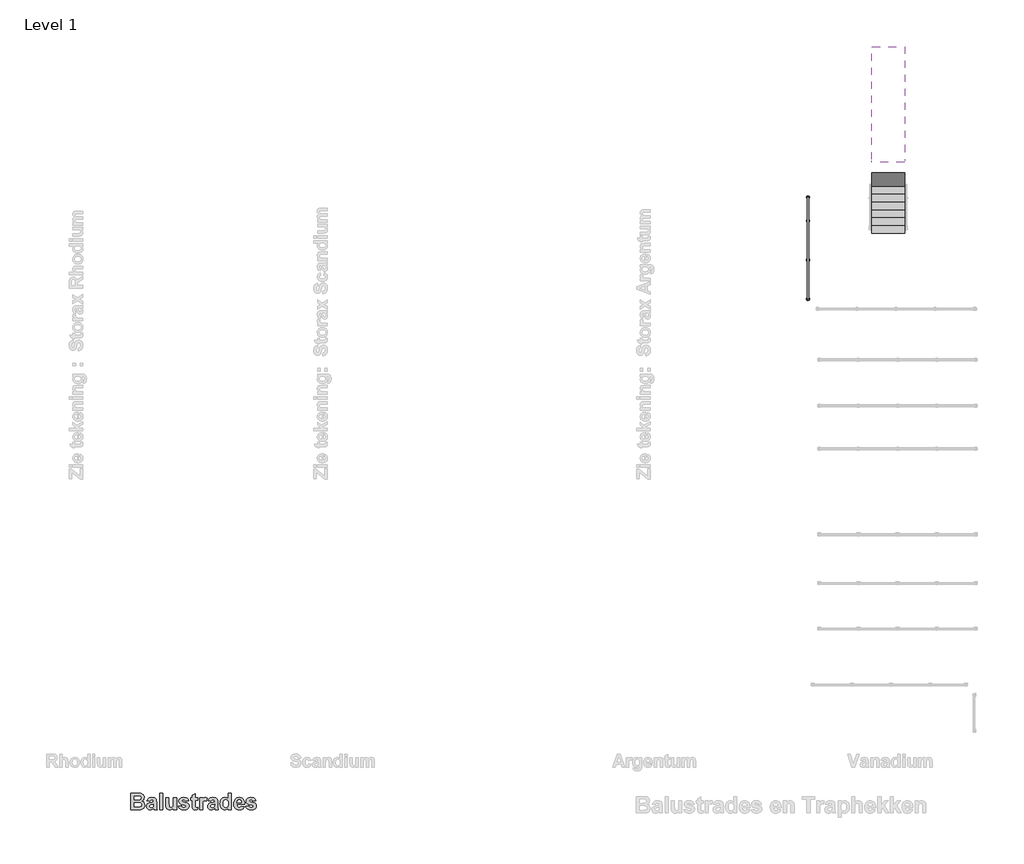
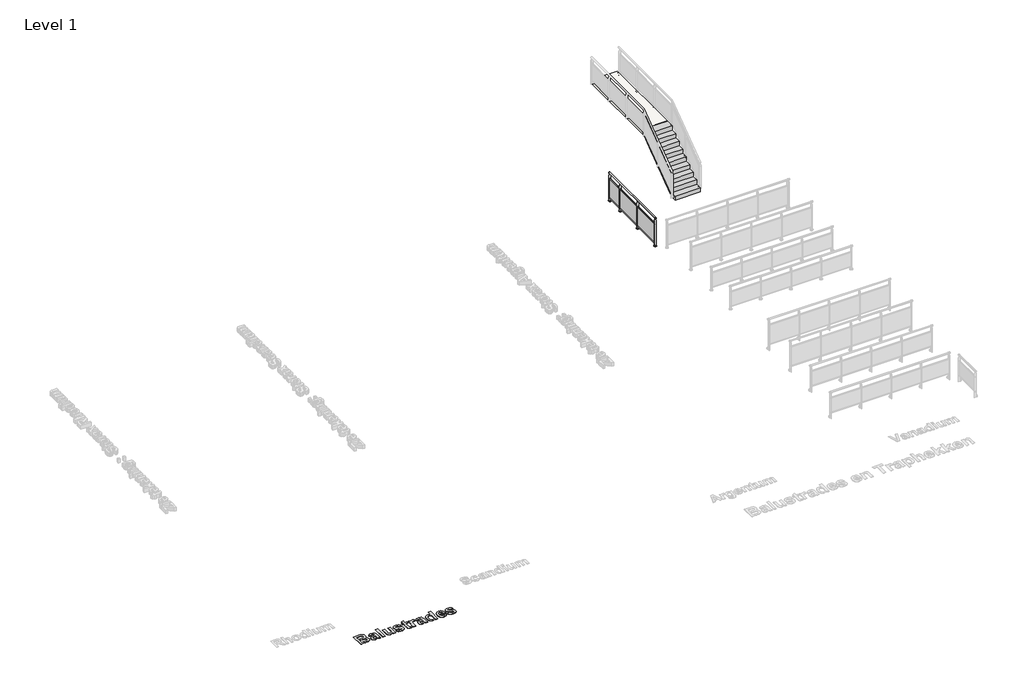
# One storey, part 4 of 14: 1 proxy, 1 railing, 1 slab, 1 stair flight.
"""IFC4 building model written with IfcOpenShell, lengths in millimetres."""

from ifc_helpers import new_model, si_unit, point, frame, frame_2d, origin, origin_with_axes, place, context, project, spatial, polyline, circle_curve, trimmed, segment, composite_curve, outline, extrude, faceted_brep, element, save
from ifc_brep_helpers import plane_surface, cylinder_surface, advanced_brep

model = new_model("IFC4")

# Units and contexts
model_context = context("Model", 3, world=origin())
ifc_project = project(units=[si_unit("LENGTHUNIT", "METRE", prefix="MILLI")], contexts=[model_context])

# Site, building, storey
site = spatial("IfcSite", under=ifc_project)
building = spatial("IfcBuilding", under=site)
storey = spatial("IfcBuildingStorey", under=building, Name="Level 1", Elevation=0.0)

# Proxy
placement = place(None, origin())
element("IfcBuildingElementProxy", 1, Name="500mm", ObjectType="500mm", at=placement, inside=storey, context=model_context, shape_type="SweptSolid", body=[
    extrude(outline(polyline([(6253.1087653, -16540.2949086), (6458.3419003, -16540.2949086), (6511.494802, -16541.534988), (6549.1777137, -16545.2552261), (6577.5445292, -16552.9282171), (6602.7491423, -16566.0265554), (6624.4040282, -16584.441734), (6642.1216622, -16608.0652459), (6653.9334181, -16635.8895267), (6657.8706701, -16666.9070118), (6653.1738695, -16700.6991745), (6639.0834677, -16731.6391546), (6616.9325501, -16757.4638074), (6588.0542018, -16775.909988), (6624.5745391, -16793.8291348), (6639.2539786, -16806.2764314), (6651.5462653, -16821.0488769), (6668.1943308, -16855.7400971), (6673.743686, -16896.0736784), (6669.759931, -16929.5713223), (6657.8086661, -16962.1079046), (6638.9594598, -16990.9397499), (6614.2818804, -17013.3231824), (6583.4814092, -17028.8086735), (6546.2635272, -17036.9466943), (6423.9917018, -17040.2949086), (6253.1087653, -17040.2949086), (6253.1087653, -16540.2949086)]), holes=[polyline([(6348.3468606, -16826.0091943), (6348.3468606, -16952.9933213), (6449.041305, -16952.9933213), (6523.6940828, -16950.0171308), (6545.7364935, -16943.3672052), (6563.2526145, -16931.1059205), (6574.6923467, -16913.4812925), (6578.5055907, -16890.7413372), (6575.5604022, -16871.0240753), (6566.7248368, -16854.5310197), (6552.3399161, -16841.6651963), (6532.7466622, -16832.8296308), (6497.5284082, -16827.7143034), (6436.2684876, -16826.0091943), (6348.3468606, -16826.0091943)]), polyline([(6348.3468606, -16627.5964959), (6348.3468606, -16738.707607), (6421.0155114, -16738.707607), (6501.6206701, -16737.0955038), (6526.9957941, -16731.2981328), (6546.3255312, -16719.8584007), (6558.5558139, -16703.3343431), (6562.6325749, -16682.2839959), (6559.1138497, -16662.1482072), (6548.5576741, -16646.1356824), (6531.088056, -16634.9284652), (6506.8290034, -16629.2085991), (6412.0869399, -16627.5964959), (6348.3468606, -16627.5964959)])]), origin_with_axes(), (0.0, 0.0, 1.0), 5.0),
    extrude(outline(polyline([(6832.4738447, -16786.3266546), (6745.1722574, -16770.4536388), (6753.3761574, -16745.8690654), (6764.0989687, -16724.6947102), (6777.3406912, -16706.9305733), (6793.1013249, -16692.5766546), (6812.1791708, -16681.5089463), (6835.3725302, -16673.6034404), (6862.681403, -16668.8601368), (6894.1057891, -16667.2790356), (6947.212188, -16671.1077806), (6984.7555907, -16682.5940157), (7010.1152137, -16699.9551269), (7026.6702733, -16721.4084999), (7035.7848566, -16754.7511338), (7038.823051, -16807.7800277), (7038.823051, -16920.379234), (7040.0786314, -16962.1699086), (7043.8453725, -16991.3117737), (7051.0533338, -17014.9662876), (7062.6325749, -17040.2949086), (6967.3944796, -17040.2949086), (6958.4659082, -17010.0369721), (6955.1176939, -16998.0082023), (6930.4711165, -17019.942106), (6904.150432, -17035.644611), (6876.0936364, -17045.0847152), (6846.2387256, -17048.2314165), (6820.5187046, -17046.3209193), (6797.6741175, -17040.5894275), (6777.7049645, -17031.0369411), (6760.6112455, -17017.6634602), (6746.9122438, -17001.3757928), (6737.1272425, -16983.0807469), (6731.2562418, -16962.7783225), (6729.2992415, -16940.4685197), (6732.7869647, -16911.2646507), (6743.2501344, -16885.4089959), (6760.0067068, -16864.0486288), (6782.3746383, -16848.3306229), (6813.0976046, -16836.2708511), (6854.9192812, -16825.8851864), (6909.0797475, -16813.6394027), (6943.5849558, -16802.1996705), (6943.5849558, -16792.1550277), (6940.6242663, -16767.4154443), (6931.7421979, -16750.9843927), (6914.6756056, -16741.7768034), (6887.1613447, -16738.707607), (6867.4130808, -16741.3427757), (6852.5631304, -16749.2482816), (6841.3404122, -16763.7882122), (6832.4738447, -16786.3266546)]), holes=[polyline([(6943.5849558, -16873.6282419), (6889.8895193, -16886.8350872), (6859.5075749, -16894.4150723), (6841.7744399, -16901.9020515), (6828.8466126, -16915.4499185), (6824.5373368, -16932.2839959), (6827.994058, -16949.1645763), (6838.3642217, -16963.5959999), (6854.0667266, -16973.5011338), (6873.5204717, -16976.8028451), (6896.8649657, -16972.9585991), (6919.0313844, -16961.425861), (6932.3622376, -16948.4670316), (6940.1127336, -16932.9040356), (6943.5849558, -16890.8653451), (6943.5849558, -16873.6282419)])]), origin_with_axes(), (0.0, 0.0, 1.0), 5.0),
    extrude(outline(polyline([(7134.0611463, -17040.2949086), (7134.0611463, -16540.2949086), (7229.2992415, -16540.2949086), (7229.2992415, -17040.2949086), (7134.0611463, -17040.2949086)])), origin_with_axes(), (0.0, 0.0, 1.0), 5.0),
    extrude(outline(polyline([(7554.6960669, -17040.2949086), (7554.6960669, -16986.72348), (7532.7621631, -17012.3156179), (7504.9068804, -17031.800365), (7473.2073516, -17044.1236536), (7439.7407098, -17048.2314165), (7406.6615927, -17044.2011586), (7377.1167018, -17032.1103848), (7353.1831701, -17012.7186437), (7336.9381304, -16986.785484), (7327.6375352, -16951.9857568), (7324.5373368, -16905.9943134), (7324.5373368, -16675.2155435), (7419.775432, -16675.2155435), (7419.775432, -16843.9903451), (7421.0620143, -16906.4748441), (7424.9217614, -16938.9184205), (7432.2072276, -16954.5434205), (7443.7709677, -16966.5721904), (7459.3184628, -16974.2451814), (7478.5551939, -16976.8028451), (7501.3571532, -16973.3926269), (7521.6479518, -16963.1619721), (7537.6759776, -16947.8624929), (7547.6896185, -16929.2458015), (7552.9444548, -16894.3220663), (7554.6960669, -16830.1014562), (7554.6960669, -16675.2155435), (7649.9341622, -16675.2155435), (7649.9341622, -17040.2949086), (7554.6960669, -17040.2949086)])), origin_with_axes(), (0.0, 0.0, 1.0), 5.0),
    extrude(outline(polyline([(7705.4897177, -16937.1203054), (7800.727813, -16921.2472896), (7809.7958933, -16945.2428253), (7825.0953725, -16962.6659404), (7847.1532842, -16973.2686189), (7876.4966622, -16976.8028451), (7908.3356999, -16973.4236288), (7931.1841622, -16963.28598), (7940.4847574, -16952.2492737), (7943.5849558, -16937.988361), (7941.9418506, -16928.12973), (7937.0125352, -16920.1312181), (7925.7588149, -16913.5897995), (7905.8865431, -16907.6064165), (7813.9036562, -16883.238857), (7783.3744523, -16871.8456279), (7763.1534082, -16860.9794324), (7744.869988, -16844.7886462), (7731.8104022, -16825.7301765), (7723.9746507, -16803.8040232), (7721.3627336, -16779.0101864), (7723.6026269, -16756.3244845), (7730.322307, -16735.5144027), (7741.5217738, -16716.5799408), (7757.2010272, -16699.5210991), (7777.5925823, -16685.4151963), (7802.9289538, -16675.3395515), (7833.2101418, -16669.2941646), (7868.4361463, -16667.2790356), (7901.9725426, -16668.9066398), (7930.9051443, -16673.7894523), (7955.2339513, -16681.9274731), (7974.9589637, -16693.3207023), (7991.025742, -16707.9071358), (8004.3798467, -16725.6247697), (8015.0212777, -16746.473604), (8022.9500352, -16770.4536388), (7927.7119399, -16786.3266546), (7920.7054915, -16765.9583511), (7909.3587653, -16750.9843927), (7892.9897177, -16741.7768034), (7870.916305, -16738.707607), (7843.7895689, -16741.3117737), (7825.6534082, -16749.1242737), (7818.8639737, -16757.6808213), (7816.6008288, -16768.4695118), (7818.8639737, -16777.801109), (7825.6534082, -16785.706615), (7852.7956453, -16797.0843431), (7909.916801, -16812.3683213), (7971.1302187, -16831.6205534), (7993.5640295, -16842.7580162), (8010.5492415, -16854.9030435), (8022.9190332, -16869.0011958), (8031.7545987, -16885.6260098), (8037.055938, -16904.7774855), (8038.823051, -16926.4556229), (8036.2615121, -16950.5635408), (8028.5768953, -16972.9120961), (8015.7692006, -16993.5012888), (7997.838428, -17012.3311189), (7974.885334, -17028.0374991), (7947.0106751, -17039.2563421), (7914.2144511, -17045.9876479), (7876.4966622, -17048.2314165), (7841.9410756, -17046.363547), (7811.1909826, -17040.7599384), (7784.2463831, -17031.4205907), (7761.1072772, -17018.3455038), (7741.7039104, -17002.0617117), (7725.9665282, -16983.0962479), (7713.8951307, -16961.4491125), (7705.4897177, -16937.1203054)])), origin_with_axes(), (0.0, 0.0, 1.0), 5.0),
    extrude(outline(polyline([(8300.727813, -16675.2155435), (8300.727813, -16746.644115), (8229.2992415, -16746.644115), (8229.2992415, -16903.2661388), (8231.4693804, -16958.6356824), (8241.3280114, -16971.6565157), (8260.0532098, -16976.8028451), (8304.6960669, -16967.6262578), (8308.6643209, -17035.3345911), (8271.9269697, -17045.0072102), (8230.6633288, -17048.2314165), (8205.3037058, -17045.9992737), (8182.5482495, -17039.3028451), (8163.96256, -17029.0721904), (8151.1122376, -17016.2373689), (8142.6331949, -16999.5893034), (8137.1613447, -16977.9189165), (8134.0611463, -16908.59848), (8134.0611463, -16746.644115), (8086.4420987, -16746.644115), (8086.4420987, -16675.2155435), (8134.0611463, -16675.2155435), (8134.0611463, -16603.7869721), (8229.2992415, -16548.2314165), (8229.2992415, -16675.2155435), (8300.727813, -16675.2155435)])), origin_with_axes(), (0.0, 0.0, 1.0), 5.0),
    extrude(outline(polyline([(8451.5214637, -17040.2949086), (8356.2833685, -17040.2949086), (8356.2833685, -16675.2155435), (8451.5214637, -16675.2155435), (8451.5214637, -16726.0587975), (8471.6417514, -16696.1573838), (8489.5919003, -16678.6257618), (8507.635055, -16670.1157171), (8528.0343606, -16667.2790356), (8557.7652633, -16672.301357), (8586.4420987, -16687.3683213), (8558.6643209, -16778.0181229), (8535.7228526, -16766.3923788), (8514.5174955, -16762.5171308), (8496.2108239, -16765.2298044), (8480.9733487, -16773.3678253), (8468.7275649, -16788.5742985), (8459.3959677, -16812.4923292), (8453.4900897, -16856.2671308), (8451.5214637, -16931.0439165), (8451.5214637, -17040.2949086)])), origin_with_axes(), (0.0, 0.0, 1.0), 5.0),
    extrude(outline(polyline([(8705.4897177, -16786.3266546), (8618.1881304, -16770.4536388), (8626.3920305, -16745.8690654), (8637.1148417, -16724.6947102), (8650.3565642, -16706.9305733), (8666.1171979, -16692.5766546), (8685.1950439, -16681.5089463), (8708.3884032, -16673.6034404), (8735.697276, -16668.8601368), (8767.1216622, -16667.2790356), (8820.228061, -16671.1077806), (8857.7714637, -16682.5940157), (8883.1310868, -16699.9551269), (8899.6861463, -16721.4084999), (8908.8007296, -16754.7511338), (8911.8389241, -16807.7800277), (8911.8389241, -16920.379234), (8913.0945044, -16962.1699086), (8916.8612455, -16991.3117737), (8924.0692068, -17014.9662876), (8935.6484479, -17040.2949086), (8840.4103526, -17040.2949086), (8831.4817812, -17010.0369721), (8828.1335669, -16998.0082023), (8803.4869895, -17019.942106), (8777.166305, -17035.644611), (8749.1095094, -17045.0847152), (8719.2545987, -17048.2314165), (8693.5345776, -17046.3209193), (8670.6899905, -17040.5894275), (8650.7208375, -17031.0369411), (8633.6271185, -17017.6634602), (8619.9281168, -17001.3757928), (8610.1431155, -16983.0807469), (8604.2721148, -16962.7783225), (8602.3151145, -16940.4685197), (8605.8028378, -16911.2646507), (8616.2660074, -16885.4089959), (8633.0225798, -16864.0486288), (8655.3905114, -16848.3306229), (8686.1134776, -16836.2708511), (8727.9351542, -16825.8851864), (8782.0956205, -16813.6394027), (8816.6008288, -16802.1996705), (8816.6008288, -16792.1550277), (8813.6401393, -16767.4154443), (8804.7580709, -16750.9843927), (8787.6914786, -16741.7768034), (8760.1772177, -16738.707607), (8740.4289538, -16741.3427757), (8725.5790034, -16749.2482816), (8714.3562852, -16763.7882122), (8705.4897177, -16786.3266546)]), holes=[polyline([(8816.6008288, -16873.6282419), (8762.9053923, -16886.8350872), (8732.5234479, -16894.4150723), (8714.790313, -16901.9020515), (8701.8624856, -16915.4499185), (8697.5532098, -16932.2839959), (8701.009931, -16949.1645763), (8711.3800947, -16963.5959999), (8727.0825997, -16973.5011338), (8746.5363447, -16976.8028451), (8769.8808387, -16972.9585991), (8792.0472574, -16961.425861), (8805.3781106, -16948.4670316), (8813.1286066, -16932.9040356), (8816.6008288, -16890.8653451), (8816.6008288, -16873.6282419)])]), origin_with_axes(), (0.0, 0.0, 1.0), 5.0),
    extrude(outline(polyline([(9332.4738447, -17040.2949086), (9237.2357495, -17040.2949086), (9237.2357495, -16987.7155435), (9213.9997624, -17014.4237529), (9186.9505312, -17033.2884602), (9157.8861711, -17044.4956775), (9128.6047971, -17048.2314165), (9099.7303241, -17045.0692142), (9073.0027385, -17035.582607), (9048.4220404, -17019.7715951), (9025.9882296, -16997.6361784), (9007.2979084, -16969.8351492), (8993.947679, -16937.0272995), (8985.9375414, -16899.2126293), (8983.2674955, -16856.3911388), (8985.9336661, -16812.8488521), (8993.932178, -16774.8559205), (9007.2630312, -16742.4123441), (9025.9262256, -16715.5181229), (9048.666181, -16694.4135222), (9074.2273169, -16679.3388074), (9102.6096334, -16670.2939785), (9133.8131304, -16667.2790356), (9162.6914786, -16670.4024855), (9189.5546979, -16679.7728352), (9214.4027881, -16695.3900847), (9237.2357495, -16717.254234), (9237.2357495, -16540.2949086), (9332.4738447, -16540.2949086), (9332.4738447, -17040.2949086)]), holes=[polyline([(9078.5055907, -16850.8107816), (9082.4738447, -16902.6460991), (9087.4341622, -16922.332359), (9094.3786066, -16937.8643531), (9106.9886636, -16954.8999433), (9121.8773665, -16967.0682221), (9139.0447152, -16974.3691894), (9158.4907098, -16976.8028451), (9174.3017217, -16974.9776033), (9188.8726542, -16969.5018779), (9202.2035074, -16960.3756688), (9214.2942812, -16947.5989761), (9224.3311736, -16931.1950512), (9231.5003824, -16911.1871457), (9235.8019077, -16887.5752595), (9237.2357495, -16860.3593927), (9235.8445354, -16830.2603414), (9231.6708933, -16804.6953302), (9224.7148231, -16783.6643593), (9214.9763249, -16767.1674284), (9203.0599372, -16754.7162566), (9189.5701989, -16745.8225624), (9174.5071098, -16740.4863459), (9157.8706701, -16738.707607), (9141.6876344, -16740.4669696), (9126.868686, -16745.7450574), (9113.4138249, -16754.5418704), (9101.323051, -16766.8574086), (9091.3404122, -16782.66067), (9084.2099558, -16801.9206527), (9079.931682, -16824.6373565), (9078.5055907, -16850.8107816)])]), origin_with_axes(), (0.0, 0.0, 1.0), 5.0),
    extrude(outline(polyline([(9634.0611463, -16929.1837975), (9729.2992415, -16945.0568134), (9719.0065828, -16968.784957), (9706.1097574, -16989.4981576), (9690.6087653, -17007.1964153), (9672.5036066, -17021.87973), (9651.8795367, -17033.4085929), (9628.821811, -17041.6434949), (9603.3304295, -17046.5844361), (9575.4053923, -17048.2314165), (9532.2738819, -17044.348418), (9495.1412554, -17032.6994225), (9464.0075129, -17013.2844299), (9438.8726542, -16986.1034404), (9423.5731751, -16959.6044944), (9412.6449756, -16929.8348392), (9406.088056, -16896.7944746), (9403.9024161, -16860.4834007), (9406.8011016, -16817.6696606), (9415.4971582, -16779.754234), (9429.9905858, -16746.7371209), (9450.2813844, -16718.6183213), (9475.0054667, -16696.1573838), (9502.7987455, -16680.113857), (9533.6612207, -16670.4877409), (9567.5928923, -16667.2790356), (9605.2990555, -16670.5729964), (9638.8044499, -16680.4548788), (9668.1090754, -16696.9246829), (9693.212932, -16719.9824086), (9713.2169623, -16749.8450698), (9727.2221086, -16786.7296804), (9735.228371, -16830.6362405), (9737.2357495, -16881.5647499), (9499.1405114, -16881.5647499), (9505.2479022, -16921.6813173), (9512.1380932, -16937.97286), (9521.5859479, -16951.7532419), (9532.9714265, -16962.7124433), (9545.6744895, -16970.5404443), (9559.6951369, -16975.2372449), (9575.0333685, -16976.8028451), (9595.0296483, -16973.9816646), (9611.6157098, -16965.5181229), (9624.6675451, -16950.7921804), (9634.0611463, -16929.1837975)]), holes=[polyline([(9641.9976542, -16826.0091943), (9636.2002832, -16788.3572846), (9629.697617, -16773.379451), (9620.7922971, -16760.9670316), (9598.4088645, -16744.2724632), (9571.6851542, -16738.707607), (9543.4733487, -16744.566982), (9520.5938844, -16762.145107), (9511.8203229, -16774.972178), (9505.5889241, -16789.8918828), (9500.7526145, -16826.0091943), (9641.9976542, -16826.0091943)])]), origin_with_axes(), (0.0, 0.0, 1.0), 5.0),
    extrude(outline(polyline([(9768.9817812, -16937.1203054), (9864.2198764, -16921.2472896), (9873.2879568, -16945.2428253), (9888.587436, -16962.6659404), (9910.6453477, -16973.2686189), (9939.9887256, -16976.8028451), (9971.8277633, -16973.4236288), (9994.6762256, -16963.28598), (10003.9768209, -16952.2492737), (10007.0770193, -16937.988361), (10005.4339141, -16928.12973), (10000.5045987, -16920.1312181), (9989.2508784, -16913.5897995), (9969.3786066, -16907.6064165), (9877.3957197, -16883.238857), (9846.8665158, -16871.8456279), (9826.6454717, -16860.9794324), (9808.3620515, -16844.7886462), (9795.3024657, -16825.7301765), (9787.4667142, -16803.8040232), (9784.8547971, -16779.0101864), (9787.0946904, -16756.3244845), (9793.8143705, -16735.5144027), (9805.0138373, -16716.5799408), (9820.6930907, -16699.5210991), (9841.0846458, -16685.4151963), (9866.4210173, -16675.3395515), (9896.7022053, -16669.2941646), (9931.9282098, -16667.2790356), (9965.4646061, -16668.9066398), (9994.3972078, -16673.7894523), (10018.7260148, -16681.9274731), (10038.4510272, -16693.3207023), (10054.5178055, -16707.9071358), (10067.8719102, -16725.6247697), (10078.5133412, -16746.473604), (10086.4420987, -16770.4536388), (9991.2040034, -16786.3266546), (9984.197555, -16765.9583511), (9972.8508288, -16750.9843927), (9956.4817812, -16741.7768034), (9934.4083685, -16738.707607), (9907.2816324, -16741.3117737), (9889.1454717, -16749.1242737), (9882.3560372, -16757.6808213), (9880.0928923, -16768.4695118), (9882.3560372, -16777.801109), (9889.1454717, -16785.706615), (9916.2877088, -16797.0843431), (9973.4088645, -16812.3683213), (10034.6222822, -16831.6205534), (10057.056093, -16842.7580162), (10074.041305, -16854.9030435), (10086.4110967, -16869.0011958), (10095.2466622, -16885.6260098), (10100.5480014, -16904.7774855), (10102.3151145, -16926.4556229), (10099.7535756, -16950.5635408), (10092.0689588, -16972.9120961), (10079.2612641, -16993.5012888), (10061.3304915, -17012.3311189), (10038.3773975, -17028.0374991), (10010.5027385, -17039.2563421), (9977.7065146, -17045.9876479), (9939.9887256, -17048.2314165), (9905.4331391, -17046.363547), (9874.6830461, -17040.7599384), (9847.7384466, -17031.4205907), (9824.5993407, -17018.3455038), (9805.1959739, -17002.0617117), (9789.4585917, -16983.0962479), (9777.3871942, -16961.4491125), (9768.9817812, -16937.1203054)])), origin_with_axes(), (0.0, 0.0, 1.0), 5.0),
])

# Railing
element("IfcRailing", 2, at=placement, inside=storey, context=model_context, shape_type="SolidModel", body=[
    advanced_brep(
    [(27010.6479588, 1765.953154, 1175.0), (27010.6479588, 1765.953154, 1200.0), (27010.6479588, 1765.953154, 1150.0), (27010.6479588, 1775.953154, 1150.0), (27010.6479588, 1775.953154, 1200.0), (27010.6479588, 1775.953154, 1175.0)],
    [
        (0, 1),
        (1, 2, circle_curve(frame((27010.6479588, 1765.953154, 1175.0), z_axis=(0.0, -1.0, 0.0), x_axis=(0.0, 0.0, 1.0)), 25.0)),
        (2, 0),
        (2, 1, circle_curve(frame((27010.6479588, 1765.953154, 1175.0), z_axis=(0.0, -1.0, 0.0), x_axis=(0.0, 0.0, 1.0)), 25.0)),
        (3, 4, circle_curve(frame((27010.6479588, 1775.953154, 1175.0), z_axis=(0.0, 1.0, 0.0), x_axis=(0.0, 0.0, 1.0)), 25.0)),
        (4, 5),
        (5, 3),
        (4, 3, circle_curve(frame((27010.6479588, 1775.953154, 1175.0), z_axis=(0.0, 1.0, 0.0), x_axis=(0.0, 0.0, 1.0)), 25.0)),
        (1, 4),
        (3, 2),
    ],
    [
        plane_surface(frame((27010.6479588, 1765.953154, 1175.0), z_axis=(0.0, -1.0, 0.0), x_axis=(0.0, 0.0, 1.0))),
        plane_surface(frame((27010.6479588, 1775.953154, 1175.0), z_axis=(0.0, 1.0, 0.0), x_axis=(0.0, 0.0, 1.0))),
        cylinder_surface(frame((27010.6479588, 1750.953154, 1175.0), z_axis=(0.0, -1.0, 0.0), x_axis=(0.0, 0.0, 1.0)), 25.0),
    ],
    [
        (0, [[1, 2, 3]]),
        (0, [[-3, 4, -1]]),
        (1, [[5, 6, 7]]),
        (1, [[8, -7, -6]]),
        (2, [[-2, 9, -5, 10]]),
        (2, [[-4, -10, -8, -9]]),
    ],
),
    advanced_brep(
    [(27010.6479588, -1414.046846, 1175.0), (27010.6479588, -1414.046846, 1200.0), (27010.6479588, -1414.046846, 1150.0), (27010.6479588, -1424.046846, 1150.0), (27010.6479588, -1424.046846, 1200.0), (27010.6479588, -1424.046846, 1175.0)],
    [
        (0, 1),
        (1, 2, circle_curve(frame((27010.6479588, -1414.046846, 1175.0), z_axis=(0.0, 1.0, 0.0), x_axis=(0.0, 0.0, 1.0)), 25.0)),
        (2, 0),
        (2, 1, circle_curve(frame((27010.6479588, -1414.046846, 1175.0), z_axis=(0.0, 1.0, 0.0), x_axis=(0.0, 0.0, 1.0)), 25.0)),
        (3, 4, circle_curve(frame((27010.6479588, -1424.046846, 1175.0), z_axis=(0.0, -1.0, 0.0), x_axis=(0.0, 0.0, 1.0)), 25.0)),
        (4, 5),
        (5, 3),
        (4, 3, circle_curve(frame((27010.6479588, -1424.046846, 1175.0), z_axis=(0.0, -1.0, 0.0), x_axis=(0.0, 0.0, 1.0)), 25.0)),
        (1, 4),
        (3, 2),
    ],
    [
        plane_surface(frame((27010.6479588, -1414.046846, 1175.0), z_axis=(0.0, 1.0, 0.0), x_axis=(0.0, 0.0, 1.0))),
        plane_surface(frame((27010.6479588, -1424.046846, 1175.0), z_axis=(0.0, -1.0, 0.0), x_axis=(0.0, 0.0, 1.0))),
        cylinder_surface(frame((27010.6479588, -1399.046846, 1175.0), z_axis=(0.0, 1.0, 0.0), x_axis=(0.0, 0.0, 1.0)), 25.0),
    ],
    [
        (0, [[1, 2, 3]]),
        (0, [[-3, 4, -1]]),
        (1, [[5, 6, 7]]),
        (1, [[8, -7, -6]]),
        (2, [[-2, 9, -5, 10]]),
        (2, [[-4, -10, -8, -9]]),
    ],
),
    advanced_brep(
    [(27035.6479588, -1414.046846, 1175.0), (26985.6479588, -1414.046846, 1175.0), (27035.6479588, -1384.046846, 1175.0), (26985.6479588, -1384.046846, 1175.0), (27035.6479588, 1735.953154, 1175.0), (26985.6479588, 1735.953154, 1175.0), (27035.6479588, 1765.953154, 1175.0), (26985.6479588, 1765.953154, 1175.0)],
    [
        (0, 1, circle_curve(frame((27010.6479588, -1414.046846, 1175.0), z_axis=(0.0, -1.0, 0.0), x_axis=(-1.0, 0.0, 0.0)), 25.0)),
        (1, 0, circle_curve(frame((27010.6479588, -1414.046846, 1175.0), z_axis=(0.0, -1.0, 0.0), x_axis=(-1.0, 0.0, 0.0)), 25.0)),
        (0, 2),
        (2, 3, circle_curve(frame((27010.6479588, -1384.046846, 1175.0), z_axis=(0.0, -1.0, 0.0), x_axis=(-1.0, 0.0, 0.0)), 25.0)),
        (3, 1),
        (3, 2, circle_curve(frame((27010.6479588, -1384.046846, 1175.0), z_axis=(0.0, -1.0, 0.0), x_axis=(-1.0, 0.0, 0.0)), 25.0)),
        (2, 4),
        (4, 5, circle_curve(frame((27010.6479588, 1735.953154, 1175.0), z_axis=(0.0, -1.0, 0.0), x_axis=(-1.0, 0.0, 0.0)), 25.0)),
        (5, 3),
        (5, 4, circle_curve(frame((27010.6479588, 1735.953154, 1175.0), z_axis=(0.0, -1.0, 0.0), x_axis=(-1.0, 0.0, 0.0)), 25.0)),
        (6, 7, circle_curve(frame((27010.6479588, 1765.953154, 1175.0), z_axis=(0.0, 1.0, 0.0), x_axis=(-1.0, 0.0, 0.0)), 25.0)),
        (7, 6, circle_curve(frame((27010.6479588, 1765.953154, 1175.0), z_axis=(0.0, 1.0, 0.0), x_axis=(-1.0, 0.0, 0.0)), 25.0)),
        (4, 6),
        (7, 5),
    ],
    [
        plane_surface(frame((27010.6479588, -1414.046846, 1200.0), z_axis=(0.0, -1.0, 0.0), x_axis=(0.0, 0.0, 1.0))),
        cylinder_surface(frame((27010.6479588, -1414.046846, 1175.0), z_axis=(0.0, -1.0, 0.0), x_axis=(-1.0, 0.0, 0.0)), 25.0),
        cylinder_surface(frame((27010.6479588, -1384.046846, 1175.0), z_axis=(0.0, -1.0, 0.0), x_axis=(-1.0, 0.0, 0.0)), 25.0),
        plane_surface(frame((27010.6479588, 1765.953154, 1200.0), z_axis=(0.0, 1.0, 0.0), x_axis=(0.0, 0.0, 1.0))),
        cylinder_surface(frame((27010.6479588, 1735.953154, 1175.0), z_axis=(0.0, -1.0, 0.0), x_axis=(-1.0, 0.0, 0.0)), 25.0),
    ],
    [
        (0, [[1, 2]]),
        (1, [[-1, 3, 4, 5]]),
        (1, [[-2, -5, 6, -3]]),
        (2, [[-4, 7, 8, 9]]),
        (2, [[-6, -9, 10, -7]]),
        (3, [[11, 12]]),
        (4, [[-8, 13, -12, 14]]),
        (4, [[-10, -14, -11, -13]]),
    ],
),
    extrude(outline(polyline([(950.0, 26997.6479588), (920.0, 26997.6479588), (920.0, 27000.6479588), (947.0, 27000.6479588), (947.0, 27014.6479588), (920.0, 27014.6479588), (920.0, 27017.6479588), (950.0, 27017.6479588), (950.0, 26997.6479588)])), frame((0.0, -1384.046846, 0.0), z_axis=(0.0, 1.0, 0.0), x_axis=(0.0, 0.0, 1.0)), (0.0, 0.0, 1.0), 3120.0),
    extrude(outline(polyline([(27012.6479588, -1384.046846), (27002.6479588, -1384.046846), (27002.6479588, 1735.953154), (27012.6479588, 1735.953154), (27012.6479588, -1384.046846)])), frame((0.0, 0.0, 130.0), z_axis=(0.0, 0.0, 1.0), x_axis=(1.0, 0.0, 0.0)), (0.0, 0.0, 1.0), 790.0),
    extrude(outline(polyline([(100.0, 26997.6479588), (100.0, 27017.6479588), (130.0, 27017.6479588), (130.0, 27014.6479588), (103.0, 27014.6479588), (103.0, 27000.6479588), (130.0, 27000.6479588), (130.0, 26997.6479588), (100.0, 26997.6479588)])), frame((0.0, -1384.046846, 0.0), z_axis=(0.0, 1.0, 0.0), x_axis=(0.0, 0.0, 1.0)), (0.0, 0.0, 1.0), 3120.0),
    extrude(outline(composite_curve([segment(trimmed(circle_curve(frame_2d((27010.6479588, 1015.953154)), 50.0), [point((27060.6479588, 1015.953154))], [point((26960.6479588, 1015.953154))], False, "CARTESIAN"), True, "CONTINUOUS"), segment(trimmed(circle_curve(frame_2d((27010.6479588, 1015.953154)), 50.0), [point((26960.6479588, 1015.953154))], [point((27060.6479588, 1015.953154))], False, "CARTESIAN"), True, "CONTINUOUS")], self_intersect=False), holes=[composite_curve([segment(trimmed(circle_curve(frame_2d((27010.6382913, 990.9628215)), 8.9986565), [point((27010.6382913, 999.961478))], [point((27010.6382913, 981.9641651))], True, "CARTESIAN"), True, "CONTINUOUS"), segment(trimmed(circle_curve(frame_2d((27010.6382913, 990.9628215)), 8.9986565), [point((27010.6382913, 981.9641651))], [point((27010.6382913, 999.961478))], True, "CARTESIAN"), True, "CONTINUOUS")], self_intersect=False), composite_curve([segment(trimmed(circle_curve(frame_2d((27010.6382913, 1040.9628215)), 8.9793215), [point((27010.6382913, 1049.942143))], [point((27010.6382913, 1031.9835))], True, "CARTESIAN"), True, "CONTINUOUS"), segment(trimmed(circle_curve(frame_2d((27010.6382913, 1040.9628215)), 8.9793215), [point((27010.6382913, 1031.9835))], [point((27010.6382913, 1049.942143))], True, "CARTESIAN"), True, "CONTINUOUS")], self_intersect=False)]), origin_with_axes(), (0.0, 0.0, 1.0), 15.0),
    extrude(outline(polyline([(15.0, 26970.6479588), (15.0, 27050.6479588), (1075.0, 27050.6479588), (1150.0, 27020.6479588), (1150.0, 27000.6479588), (1075.0, 26970.6479588), (15.0, 26970.6479588)])), frame((0.0, 1009.953154, 0.0), z_axis=(0.0, 1.0, 0.0), x_axis=(0.0, 0.0, 1.0)), (0.0, 0.0, 1.0), 12.0),
    extrude(outline(composite_curve([segment(trimmed(circle_curve(frame_2d((27010.6479588, -184.046846)), 50.0), [point((27060.6479588, -184.046846))], [point((26960.6479588, -184.046846))], False, "CARTESIAN"), True, "CONTINUOUS"), segment(trimmed(circle_curve(frame_2d((27010.6479588, -184.046846)), 50.0), [point((26960.6479588, -184.046846))], [point((27060.6479588, -184.046846))], False, "CARTESIAN"), True, "CONTINUOUS")], self_intersect=False), holes=[composite_curve([segment(trimmed(circle_curve(frame_2d((27010.6382913, -209.0371785)), 8.9986565), [point((27010.6382913, -200.038522))], [point((27010.6382913, -218.0358349))], True, "CARTESIAN"), True, "CONTINUOUS"), segment(trimmed(circle_curve(frame_2d((27010.6382913, -209.0371785)), 8.9986565), [point((27010.6382913, -218.0358349))], [point((27010.6382913, -200.038522))], True, "CARTESIAN"), True, "CONTINUOUS")], self_intersect=False), composite_curve([segment(trimmed(circle_curve(frame_2d((27010.6382913, -159.0371785)), 8.9793215), [point((27010.6382913, -150.057857))], [point((27010.6382913, -168.0165))], True, "CARTESIAN"), True, "CONTINUOUS"), segment(trimmed(circle_curve(frame_2d((27010.6382913, -159.0371785)), 8.9793215), [point((27010.6382913, -168.0165))], [point((27010.6382913, -150.057857))], True, "CARTESIAN"), True, "CONTINUOUS")], self_intersect=False)]), origin_with_axes(), (0.0, 0.0, 1.0), 15.0),
    extrude(outline(polyline([(15.0, 26970.6479588), (15.0, 27050.6479588), (1075.0, 27050.6479588), (1150.0, 27020.6479588), (1150.0, 27000.6479588), (1075.0, 26970.6479588), (15.0, 26970.6479588)])), frame((0.0, -190.046846, 0.0), z_axis=(0.0, 1.0, 0.0), x_axis=(0.0, 0.0, 1.0)), (0.0, 0.0, 1.0), 12.0),
    extrude(outline(composite_curve([segment(trimmed(circle_curve(frame_2d((27010.6479588, 1735.953154)), 50.0), [point((27060.6479588, 1735.953154))], [point((26960.6479588, 1735.953154))], False, "CARTESIAN"), True, "CONTINUOUS"), segment(trimmed(circle_curve(frame_2d((27010.6479588, 1735.953154)), 50.0), [point((26960.6479588, 1735.953154))], [point((27060.6479588, 1735.953154))], False, "CARTESIAN"), True, "CONTINUOUS")], self_intersect=False), holes=[composite_curve([segment(trimmed(circle_curve(frame_2d((27010.6382913, 1710.9628215)), 8.9986565), [point((27010.6382913, 1719.961478))], [point((27010.6382913, 1701.9641651))], True, "CARTESIAN"), True, "CONTINUOUS"), segment(trimmed(circle_curve(frame_2d((27010.6382913, 1710.9628215)), 8.9986565), [point((27010.6382913, 1701.9641651))], [point((27010.6382913, 1719.961478))], True, "CARTESIAN"), True, "CONTINUOUS")], self_intersect=False), composite_curve([segment(trimmed(circle_curve(frame_2d((27010.6382913, 1760.9628215)), 8.9793215), [point((27010.6382913, 1769.942143))], [point((27010.6382913, 1751.9835))], True, "CARTESIAN"), True, "CONTINUOUS"), segment(trimmed(circle_curve(frame_2d((27010.6382913, 1760.9628215)), 8.9793215), [point((27010.6382913, 1751.9835))], [point((27010.6382913, 1769.942143))], True, "CARTESIAN"), True, "CONTINUOUS")], self_intersect=False)]), origin_with_axes(), (0.0, 0.0, 1.0), 15.0),
    extrude(outline(polyline([(15.0, 26970.6479588), (15.0, 27050.6479588), (1075.0, 27050.6479588), (1150.0, 27020.6479588), (1150.0, 27000.6479588), (1075.0, 26970.6479588), (15.0, 26970.6479588)])), frame((0.0, 1729.953154, 0.0), z_axis=(0.0, 1.0, 0.0), x_axis=(0.0, 0.0, 1.0)), (0.0, 0.0, 1.0), 12.0),
    extrude(outline(composite_curve([segment(trimmed(circle_curve(frame_2d((27010.6479588, -1384.046846)), 50.0), [point((27060.6479588, -1384.046846))], [point((26960.6479588, -1384.046846))], False, "CARTESIAN"), True, "CONTINUOUS"), segment(trimmed(circle_curve(frame_2d((27010.6479588, -1384.046846)), 50.0), [point((26960.6479588, -1384.046846))], [point((27060.6479588, -1384.046846))], False, "CARTESIAN"), True, "CONTINUOUS")], self_intersect=False), holes=[composite_curve([segment(trimmed(circle_curve(frame_2d((27010.6382913, -1409.0371785)), 8.9986565), [point((27010.6382913, -1400.038522))], [point((27010.6382913, -1418.0358349))], True, "CARTESIAN"), True, "CONTINUOUS"), segment(trimmed(circle_curve(frame_2d((27010.6382913, -1409.0371785)), 8.9986565), [point((27010.6382913, -1418.0358349))], [point((27010.6382913, -1400.038522))], True, "CARTESIAN"), True, "CONTINUOUS")], self_intersect=False), composite_curve([segment(trimmed(circle_curve(frame_2d((27010.6382913, -1359.0371785)), 8.9793215), [point((27010.6382913, -1350.057857))], [point((27010.6382913, -1368.0165))], True, "CARTESIAN"), True, "CONTINUOUS"), segment(trimmed(circle_curve(frame_2d((27010.6382913, -1359.0371785)), 8.9793215), [point((27010.6382913, -1368.0165))], [point((27010.6382913, -1350.057857))], True, "CARTESIAN"), True, "CONTINUOUS")], self_intersect=False)]), origin_with_axes(), (0.0, 0.0, 1.0), 15.0),
    extrude(outline(polyline([(15.0, 26970.6479588), (15.0, 27050.6479588), (1075.0, 27050.6479588), (1150.0, 27020.6479588), (1150.0, 27000.6479588), (1075.0, 26970.6479588), (15.0, 26970.6479588)])), frame((0.0, -1390.046846, 0.0), z_axis=(0.0, 1.0, 0.0), x_axis=(0.0, 0.0, 1.0)), (0.0, 0.0, 1.0), 12.0),
])

# Slab
element("IfcSlab", 3, ObjectType="200 mm Thickness", at=placement, inside=storey, context=model_context, shape_type="SweptSolid", body=[
    extrude(outline(polyline([(6358.8773535, 1613.6470588), (6358.8773535, 1413.6470588), (2808.8773535, 1413.6470588), (2808.8773535, 1503.6470588), (2908.8773535, 1503.6470588), (2908.8773535, 1613.6470588), (6358.8773535, 1613.6470588)])), frame((28975.9970847, 0.0, 0.0), z_axis=(1.0, 0.0, 0.0), x_axis=(0.0, 1.0, 0.0)), (0.0, 0.0, 1.0), 1000.0),
])

# Stair flight
element("IfcStairFlight", 4, ObjectType="Monolithic Run", at=placement, inside=storey, context=model_context, shape_type="Brep", body=[
    faceted_brep([(28975.9970847, 878.8773535, 179.2941176), (28975.9970847, 638.8773535, 179.2941176), (29975.9970847, 638.8773535, 179.2941176), (29975.9970847, 878.8773535, 179.2941176), (28975.9970847, 878.8773535, 0.0), (28975.9970847, 638.8773535, 0.0), (29975.9970847, 638.8773535, 0.0), (29975.9970847, 878.8773535, 0.0), (28975.9970847, 1118.8773535, 358.5882353), (28975.9970847, 878.8773535, 358.5882353), (29975.9970847, 878.8773535, 358.5882353), (29975.9970847, 1118.8773535, 358.5882353), (28975.9970847, 1118.8773535, 171.3526085), (28975.9970847, 889.5077201, 0.0), (29975.9970847, 889.5077201, 0.0), (29975.9970847, 1118.8773535, 171.3526085), (28975.9970847, 1358.8773535, 537.8823529), (28975.9970847, 1118.8773535, 537.8823529), (29975.9970847, 1118.8773535, 537.8823529), (29975.9970847, 1358.8773535, 537.8823529), (28975.9970847, 1358.8773535, 350.6467262), (29975.9970847, 1358.8773535, 350.6467262), (28975.9970847, 1598.8773535, 717.1764706), (28975.9970847, 1358.8773535, 717.1764706), (29975.9970847, 1358.8773535, 717.1764706), (29975.9970847, 1598.8773535, 717.1764706), (28975.9970847, 1598.8773535, 529.9408438), (29975.9970847, 1598.8773535, 529.9408438), (28975.9970847, 1838.8773535, 896.4705882), (28975.9970847, 1598.8773535, 896.4705882), (29975.9970847, 1598.8773535, 896.4705882), (29975.9970847, 1838.8773535, 896.4705882), (28975.9970847, 1838.8773535, 709.2349615), (29975.9970847, 1838.8773535, 709.2349615), (28975.9970847, 2078.8773535, 1075.7647059), (28975.9970847, 1838.8773535, 1075.7647059), (29975.9970847, 1838.8773535, 1075.7647059), (29975.9970847, 2078.8773535, 1075.7647059), (28975.9970847, 2078.8773535, 888.5290791), (29975.9970847, 2078.8773535, 888.5290791), (28975.9970847, 2318.8773535, 1255.0588235), (28975.9970847, 2078.8773535, 1255.0588235), (29975.9970847, 2078.8773535, 1255.0588235), (29975.9970847, 2318.8773535, 1255.0588235), (28975.9970847, 2318.8773535, 1067.8231968), (29975.9970847, 2318.8773535, 1067.8231968), (28975.9970847, 2558.8773535, 1434.3529412), (28975.9970847, 2318.8773535, 1434.3529412), (29975.9970847, 2318.8773535, 1434.3529412), (29975.9970847, 2558.8773535, 1434.3529412), (28975.9970847, 2558.8773535, 1247.1173144), (29975.9970847, 2558.8773535, 1247.1173144), (28975.9970847, 2558.8773535, 1613.6470588), (29975.9970847, 2558.8773535, 1613.6470588), (29975.9970847, 2898.8773535, 1613.6470588), (28975.9970847, 2898.8773535, 1613.6470588), (28975.9970847, 2898.8773535, 1513.6470588), (28975.9970847, 2798.8773535, 1513.6470588), (28975.9970847, 2798.8773535, 1413.6470588), (28975.9970847, 2781.7911846, 1413.6470588), (29975.9970847, 2781.7911846, 1413.6470588), (29975.9970847, 2798.8773535, 1413.6470588), (29975.9970847, 2798.8773535, 1513.6470588), (29975.9970847, 2898.8773535, 1513.6470588)], [[[0, 1, 2, 3]], [[1, 0, 4, 5]], [[2, 1, 5, 6]], [[3, 2, 6, 7]], [[8, 9, 10, 11]], [[4, 0, 9, 8, 12, 13]], [[0, 3, 10, 9]], [[3, 7, 14, 15, 11, 10]], [[16, 17, 18, 19]], [[17, 16, 20, 12, 8]], [[8, 11, 18, 17]], [[19, 18, 11, 15, 21]], [[22, 23, 24, 25]], [[23, 22, 26, 20, 16]], [[16, 19, 24, 23]], [[25, 24, 19, 21, 27]], [[28, 29, 30, 31]], [[29, 28, 32, 26, 22]], [[22, 25, 30, 29]], [[31, 30, 25, 27, 33]], [[34, 35, 36, 37]], [[35, 34, 38, 32, 28]], [[28, 31, 36, 35]], [[37, 36, 31, 33, 39]], [[40, 41, 42, 43]], [[41, 40, 44, 38, 34]], [[34, 37, 42, 41]], [[43, 42, 37, 39, 45]], [[46, 47, 48, 49]], [[47, 46, 50, 44, 40]], [[40, 43, 48, 47]], [[49, 48, 43, 45, 51]], [[52, 53, 54, 55]], [[46, 52, 55, 56, 57, 58, 59, 50]], [[46, 49, 53, 52]], [[54, 53, 49, 51, 60, 61, 62, 63]], [[61, 58, 57, 62]], [[5, 4, 13, 14, 7, 6]], [[59, 60, 51, 45, 39, 33, 27, 21, 15, 14, 13, 12, 20, 26, 32, 38, 44, 50]], [[63, 62, 57, 56]], [[63, 56, 55, 54]], [[60, 59, 58, 61]]]),
])

save(model, "model.ifc")
